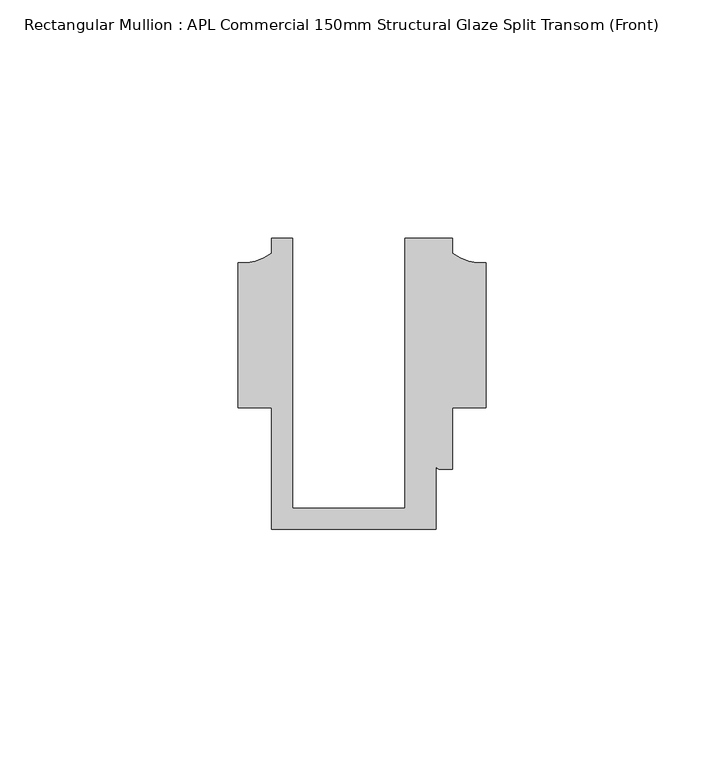
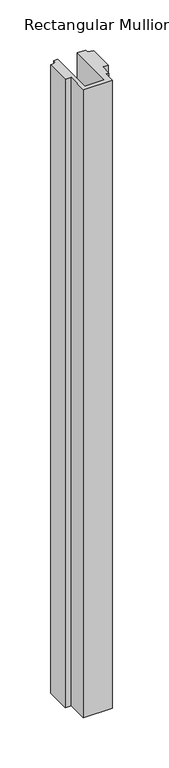
"""IFC4 building model written with IfcOpenShell, lengths in millimetres: member geometry, Rectangular Mullion : APL Commercial 150mm Structural Glaze Split Transom (Front)."""

from ifc_helpers import new_model, si_unit, point, frame, frame_2d, origin, place, context, project, spatial, polyline, circle_curve, trimmed, segment, composite_curve, outline, extrude, source, transform, mapped, element, save


def rectangular_mullion_apl_commercial_150mm_structural_glaze_6eeff150(model_context):
    return source(origin(), model_context, "Body", "SweptSolid", [
        extrude(outline(composite_curve([segment(polyline([(-23.5949354, 20.5), (-23.5949354, -36.1008577), (0.0, -36.1008577), (0.0, 20.5), (10.0000029, 20.5), (10.0000029, 17.3121423)]), True, "CONTINUOUS"), segment(trimmed(circle_curve(frame_2d((16.1098048, 25.7978024)), 10.4563907), [point((10.0000029, 17.3121423))], [point((16.999942, 15.3793686))], True, "CARTESIAN"), True, "CONTINUOUS"), segment(polyline([(16.999942, 15.3793686), (16.999942, -15.0004617), (10.0000029, -15.0004617), (10.0000029, -28.0002131), (7.5000029, -28.0002131)]), True, "CONTINUOUS"), segment(trimmed(circle_curve(frame_2d((7.5000029, -27.0002131)), 1.0), [point((7.5000029, -28.0002131))], [point((6.5000029, -27.0002131))], False, "CARTESIAN"), True, "CONTINUOUS"), segment(polyline([(6.5000029, -27.0002131), (6.5000029, -40.499932), (-28.0000482, -40.499932), (-28.0000482, -15.001276), (-34.9999873, -15.001276), (-34.9999873, 15.3795682)]), True, "CONTINUOUS"), segment(trimmed(circle_curve(frame_2d((-34.10985, 25.7980019)), 10.4563907), [point((-34.9999873, 15.3795682))], [point((-28.0000482, 17.3123419))], True, "CARTESIAN"), True, "CONTINUOUS"), segment(polyline([(-28.0000482, 17.3123419), (-28.0000482, 20.5), (-23.5949354, 20.5)]), True, "CONTINUOUS")], self_intersect=False)), frame((0.0, 0.0, -797.3626722), z_axis=(0.0, 0.0, 1.0), x_axis=(1.0, 0.0, 0.0)), (0.0, 0.0, 1.0), 797.3626722),
    ])


if __name__ == "__main__":
    model = new_model("IFC4")
    model_context = context("Model", 3, world=origin())
    ifc_project = project(units=[si_unit("LENGTHUNIT", "METRE", prefix="MILLI")], contexts=[model_context])
    site = spatial("IfcSite", under=ifc_project)
    building = spatial("IfcBuilding", under=site)
    placement = place(None, origin())
    rectangular_mullion_apl_commercial_150mm_structural_glaze_shape = rectangular_mullion_apl_commercial_150mm_structural_glaze_6eeff150(model_context)
    element("IfcMember", 1, ObjectType="Rectangular Mullion : APL Commercial 150mm Structural Glaze Split Transom (Front)", at=placement, inside=building, context=model_context, shape_type="MappedRepresentation", body=[
        mapped(rectangular_mullion_apl_commercial_150mm_structural_glaze_shape, transform((0.0, 0.0, 0.0), x_axis=(1.0, 0.0, 0.0), y_axis=(0.0, 1.0, 0.0), z_axis=(0.0, 0.0, 1.0))),
    ])
    save(model, "model.ifc")
